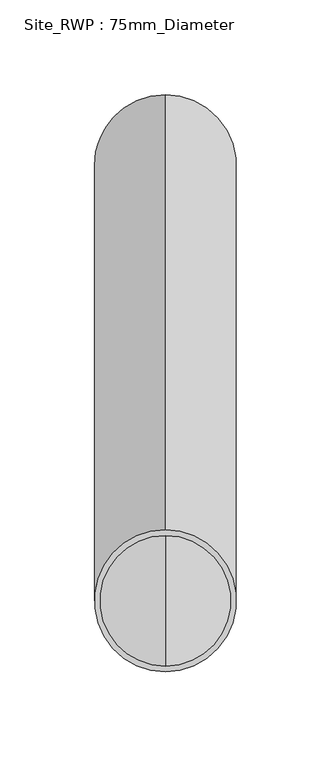
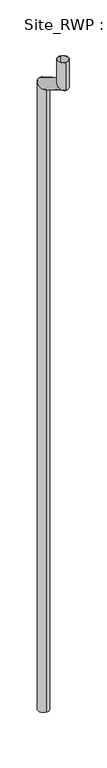
"""IFC4 building model written with IfcOpenShell, lengths in millimetres: geographic element geometry, Site_RWP : 75mm_Diameter."""

from ifc_helpers import new_model, si_unit, frame, origin, place, context, project, spatial, polyline, circle_curve, ellipse_curve, source, transform, mapped, element, save
from ifc_brep_helpers import plane_surface, cylinder_surface, revolved_surface, advanced_brep


def site_rwp_75mm_diameter_55d6cd5b(model_context):
    return source(origin(), model_context, "Body", "AdvancedBrep", [
        advanced_brep(
        [(0.0, -37.5, 0.0), (0.0, 37.5, 0.0), (0.0, -34.5, 0.0), (0.0, 34.5, 0.0), (0.0, 37.5, 4538.8600732), (0.0, -37.5, 4495.558803), (0.0, 34.5, 4537.1280224), (0.0, -34.5, 4497.2908538), (0.0, -192.5, 4671.6506351), (0.0, -267.5, 4628.3493649), (0.0, -195.5, 4669.9185843), (0.0, -264.5, 4630.0814157), (0.0, -267.5, 4830.0), (0.0, -192.5, 4830.0), (0.0, -264.5, 4830.0), (0.0, -195.5, 4830.0)],
        [
            (0, 1, circle_curve(frame((0.0, 0.0, 0.0), z_axis=(0.0, 0.0, -1.0), x_axis=(0.0, 1.0, 0.0)), 37.5)),
            (1, 0, circle_curve(frame((0.0, 0.0, 0.0), z_axis=(0.0, 0.0, -1.0), x_axis=(0.0, 1.0, 0.0)), 37.5)),
            (2, 3, circle_curve(frame((0.0, 0.0, 0.0), z_axis=(0.0, 0.0, 1.0), x_axis=(0.0, 1.0, 0.0)), 34.5)),
            (3, 2, circle_curve(frame((0.0, 0.0, 0.0), z_axis=(0.0, 0.0, 1.0), x_axis=(0.0, 1.0, 0.0)), 34.5)),
            (1, 4),
            (4, 5, ellipse_curve(frame((0.0, 0.0, 4517.2094381), z_axis=(0.0, 0.5000000000000019, -0.8660254037844377), x_axis=(0.0, -0.8660254037844378, -0.5000000000000016)), 43.3012702, 37.5)),
            (5, 0),
            (5, 4, ellipse_curve(frame((0.0, 0.0, 4517.2094381), z_axis=(0.0, 0.5000000000000019, -0.8660254037844377), x_axis=(0.0, -0.8660254037844378, -0.5000000000000016)), 43.3012702, 37.5)),
            (3, 6),
            (6, 7, ellipse_curve(frame((0.0, 0.0, 4517.2094381), z_axis=(0.0, -0.5000000000000019, 0.8660254037844377), x_axis=(0.0, 0.8660254037844378, 0.5000000000000016)), 39.8371686, 34.5)),
            (7, 2),
            (7, 6, ellipse_curve(frame((0.0, 0.0, 4517.2094381), z_axis=(0.0, -0.5000000000000019, 0.8660254037844377), x_axis=(0.0, 0.8660254037844378, 0.5000000000000016)), 39.8371686, 34.5)),
            (4, 8),
            (8, 9, ellipse_curve(frame((0.0, -230.0, 4650.0), z_axis=(0.0, 0.5000000000000019, -0.8660254037844377), x_axis=(0.0, 0.8660254037844374, 0.500000000000002)), 43.3012702, 37.5)),
            (9, 5),
            (9, 8, ellipse_curve(frame((0.0, -230.0, 4650.0), z_axis=(0.0, 0.5000000000000019, -0.8660254037844377), x_axis=(0.0, 0.8660254037844374, 0.500000000000002)), 43.3012702, 37.5)),
            (6, 10),
            (10, 11, ellipse_curve(frame((0.0, -230.0, 4650.0), z_axis=(0.0, -0.5000000000000019, 0.8660254037844377), x_axis=(0.0, -0.8660254037844374, -0.500000000000002)), 39.8371686, 34.5)),
            (11, 7),
            (11, 10, ellipse_curve(frame((0.0, -230.0, 4650.0), z_axis=(0.0, -0.5000000000000019, 0.8660254037844377), x_axis=(0.0, -0.8660254037844374, -0.500000000000002)), 39.8371686, 34.5)),
            (12, 13, circle_curve(frame((0.0, -230.0, 4830.0), z_axis=(0.0, 0.0, 1.0), x_axis=(0.0, 1.0, 0.0)), 37.5)),
            (13, 12, circle_curve(frame((0.0, -230.0, 4830.0), z_axis=(0.0, 0.0, 1.0), x_axis=(0.0, 1.0, 0.0)), 37.5)),
            (14, 15, circle_curve(frame((0.0, -230.0, 4830.0), z_axis=(0.0, 0.0, -1.0), x_axis=(0.0, 1.0, 0.0)), 34.5)),
            (15, 14, circle_curve(frame((0.0, -230.0, 4830.0), z_axis=(0.0, 0.0, -1.0), x_axis=(0.0, 1.0, 0.0)), 34.5)),
            (8, 13),
            (12, 9),
            (10, 15),
            (14, 11),
        ],
        [
            plane_surface(frame((0.0, 0.0, 0.0), z_axis=(0.0, 0.0, -1.0), x_axis=(1.0, 0.0, 0.0))),
            cylinder_surface(frame((0.0, 0.0, 0.0), z_axis=(0.0, 0.0, -1.0), x_axis=(0.0, 1.0, 0.0)), 37.5),
            revolved_surface(polyline([(0.0, 34.5, 4537.1280224), (0.0, 34.5, 0.0)]), (0.0, 0.0, 0.0), (0.0, 0.0, 1.0)),
            cylinder_surface(frame((0.0, 0.0, 4517.2094381), z_axis=(0.0, 0.8660254037844407, -0.49999999999999645), x_axis=(0.0, 0.49999999999999645, 0.8660254037844407)), 37.5),
            revolved_surface(polyline([(0.0, -230.0000000053278, 4689.837168590772), (0.0, 34.50000001122187, 4537.128022380563)]), (0.0, 0.0, 4517.2094381), (0.0, -0.8660254037844407, 0.49999999999999645)),
            plane_surface(frame((0.0, -230.0, 4830.0), z_axis=(0.0, 0.0, 1.0), x_axis=(1.0, 0.0, 0.0))),
            cylinder_surface(frame((0.0, -230.0, 4650.0), z_axis=(0.0, 0.0, -1.0), x_axis=(0.0, 1.0, 0.0)), 37.5),
            revolved_surface(polyline([(0.0, -195.5, 4830.0), (0.0, -195.5, 4630.0814156999995)]), (0.0, -230.0, 4650.0), (0.0, 0.0, 1.0)),
        ],
        [
            (0, [[1, 2], [3, 4]]),
            (1, [[5, 6, 7, -2]]),
            (1, [[-7, 8, -5, -1]]),
            (2, [[9, 10, 11, -4]]),
            (2, [[-11, 12, -9, -3]]),
            (3, [[13, 14, 15, -6]]),
            (3, [[-15, 16, -13, -8]]),
            (4, [[17, 18, 19, -10]]),
            (4, [[-19, 20, -17, -12]]),
            (5, [[21, 22], [23, 24]]),
            (6, [[25, -21, 26, -14]]),
            (6, [[-26, -22, -25, -16]]),
            (7, [[27, -23, 28, -18]]),
            (7, [[-28, -24, -27, -20]]),
        ],
    ),
    ])


if __name__ == "__main__":
    model = new_model("IFC4")
    model_context = context("Model", 3, world=origin())
    ifc_project = project(units=[si_unit("LENGTHUNIT", "METRE", prefix="MILLI")], contexts=[model_context])
    site = spatial("IfcSite", under=ifc_project)
    building = spatial("IfcBuilding", under=site)
    placement = place(None, origin())
    site_rwp_75mm_diameter_shape = site_rwp_75mm_diameter_55d6cd5b(model_context)
    element("IfcGeographicElement", 1, ObjectType="Site_RWP : 75mm_Diameter", at=placement, inside=building, context=model_context, shape_type="MappedRepresentation", body=[
        mapped(site_rwp_75mm_diameter_shape, transform((0.0, 0.0, 0.0), x_axis=(1.0, 0.0, 0.0), y_axis=(0.0, 1.0, 0.0), z_axis=(0.0, 0.0, 1.0))),
    ])
    save(model, "model.ifc")
